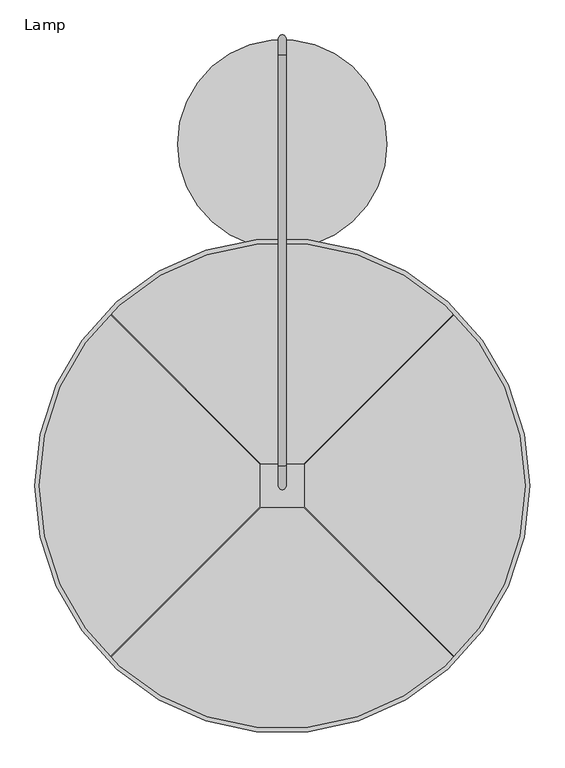
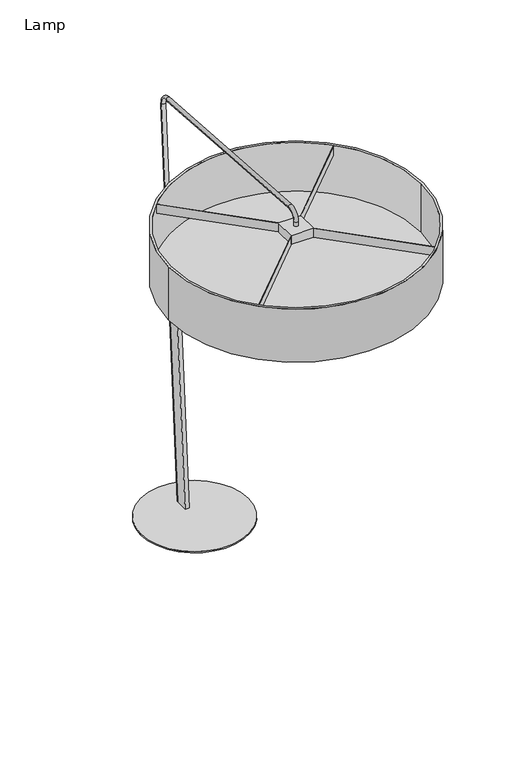
"""IFC4 building model written with IfcOpenShell, lengths in millimetres: furniture geometry, Lamp."""

import ifcopenshell
import ifcopenshell.guid

model = None  # the IFC model being written
_history = None  # IfcOwnerHistory: only IFC2X3 demands one
_inside = {}  # id of a spatial element -> (the spatial element, [elements in it])
_under = {}  # id of a project, library or spatial element -> (it, [spatial elements below it])
_declared = {}  # id of a project -> (the project, [libraries it declares])
_typed = {}  # id of a type object -> (the type object, [elements of that type])
_made_of = {}  # id of a material, layer set ... -> (it, [elements and type objects made of it])


def new_model(schema):
    """Start an empty IFC model of exactly this schema.

    Asked for "IFC4X3", IfcOpenShell would pick the latest addendum, in which some entities
    have other attributes; the version numbers below select the first issue.
    IFC2X3 requires an IfcOwnerHistory on every rooted entity: one is made here for all.
    """
    global model, _history
    if schema == "IFC4X3":
        model = ifcopenshell.file(schema_version=(4, 3, 0, 0))
    else:
        model = ifcopenshell.file(schema=schema)
    _inside.clear()
    _under.clear()
    _declared.clear()
    _typed.clear()
    _made_of.clear()
    _history = None
    if model.schema == "IFC2X3":
        org = make("IfcOrganization", Name="unknown")
        user = make(
            "IfcPersonAndOrganization",
            ThePerson=make("IfcPerson", FamilyName="unknown"),
            TheOrganization=org,
        )
        app = make(
            "IfcApplication",
            ApplicationDeveloper=org,
            Version="unknown",
            ApplicationFullName="unknown",
            ApplicationIdentifier="unknown",
        )
        _history = make(
            "IfcOwnerHistory",
            OwningUser=user,
            OwningApplication=app,
            ChangeAction="ADDED",
            CreationDate=0,
        )
    return model


def make(cls, **values):
    """One entity of the class cls with the attributes given. An attribute that is None is left unset."""
    return model.create_entity(
        cls, **{name: value for name, value in values.items() if value is not None}
    )


def rooted(cls, **values):
    """An entity with a GlobalId (a new one), such as an element, a storey or a relation."""
    return make(cls, GlobalId=ifcopenshell.guid.new(), OwnerHistory=_history, **values)


def si_unit(unit_type, name, prefix=None):
    """IfcSIUnit, for example si_unit("LENGTHUNIT", "METRE", prefix="MILLI")."""
    return make("IfcSIUnit", UnitType=unit_type, Prefix=prefix, Name=name)


def assignment(units):
    """IfcUnitAssignment: the units of a project."""
    return None if units is None else make("IfcUnitAssignment", Units=units)


def point(xyz):
    """IfcCartesianPoint."""
    return None if xyz is None else make("IfcCartesianPoint", Coordinates=xyz)


def direction(xyz):
    """IfcDirection."""
    return None if xyz is None else make("IfcDirection", DirectionRatios=xyz)


def frame(location, z_axis=None, x_axis=None):
    """IfcAxis2Placement3D, a coordinate frame: its origin and axes. An axis left out is left unset."""
    return make(
        "IfcAxis2Placement3D",
        Location=point(location),
        Axis=direction(z_axis),
        RefDirection=direction(x_axis),
    )


def frame_2d(location, x_axis=None):
    """IfcAxis2Placement2D, a coordinate frame in the plane: its origin and x axis."""
    return make(
        "IfcAxis2Placement2D", Location=point(location), RefDirection=direction(x_axis)
    )


def origin():
    """The frame at (0, 0, 0) with its axes left unset."""
    return frame((0.0, 0.0, 0.0))


def origin_with_axes():
    """The frame at (0, 0, 0) with the z axis (0, 0, 1) and the x axis (1, 0, 0) written out."""
    return frame((0.0, 0.0, 0.0), z_axis=(0.0, 0.0, 1.0), x_axis=(1.0, 0.0, 0.0))


def origin_2d():
    """The frame at (0, 0) in the plane with its x axis left unset."""
    return frame_2d((0.0, 0.0))


def place(relative_to, where):
    """IfcLocalPlacement: puts the frame where relative to a parent placement (None: the world)."""
    return make(
        "IfcLocalPlacement", PlacementRelTo=relative_to, RelativePlacement=where
    )


def context(
    kind, dimensions, precision=None, world=None, true_north=None, identifier=None
):
    """IfcGeometricRepresentationContext, for example the 3D "Model" context."""
    return make(
        "IfcGeometricRepresentationContext",
        ContextIdentifier=identifier,
        ContextType=kind,
        CoordinateSpaceDimension=dimensions,
        Precision=precision,
        WorldCoordinateSystem=world,
        TrueNorth=true_north,
    )


def project(units=None, contexts=None):
    """IfcProject with its units and contexts."""
    return rooted(
        "IfcProject",
        Name="project",
        RepresentationContexts=contexts,
        UnitsInContext=assignment(units),
    )


def spatial(cls, under=None, at=None, **own):
    """A site, building, storey or space (cls), placed at a placement, below another one or the project."""
    s = rooted(cls, ObjectPlacement=at, **own)
    if under is not None:
        _under.setdefault(under.id(), (under, []))[1].append(s)
    return s


def polyline(points):
    """IfcPolyline through the points."""
    return make("IfcPolyline", Points=[point(p) for p in points])


def circle_curve(where, radius):
    """IfcCircle in the frame where."""
    return make("IfcCircle", Position=where, Radius=radius)


def ellipse_curve(where, semi_axis1, semi_axis2):
    """IfcEllipse in the frame where."""
    return make(
        "IfcEllipse", Position=where, SemiAxis1=semi_axis1, SemiAxis2=semi_axis2
    )


def trimmed(basis, trim1, trim2, sense, master):
    """IfcTrimmedCurve: the piece of a basis curve between two trims."""
    return make(
        "IfcTrimmedCurve",
        BasisCurve=basis,
        Trim1=trim1,
        Trim2=trim2,
        SenseAgreement=sense,
        MasterRepresentation=master,
    )


def segment(curve, same_sense, transition):
    """IfcCompositeCurveSegment."""
    return make(
        "IfcCompositeCurveSegment",
        Transition=transition,
        SameSense=same_sense,
        ParentCurve=curve,
    )


def composite_curve(segments, self_intersect=None):
    """IfcCompositeCurve: segments joined end to end."""
    return make("IfcCompositeCurve", Segments=segments, SelfIntersect=self_intersect)


def outline(outer, holes=None, kind="AREA"):
    """IfcArbitraryClosedProfileDef: a profile drawn as a closed curve; with holes, ...WithVoids."""
    if holes is None:
        return make("IfcArbitraryClosedProfileDef", ProfileType=kind, OuterCurve=outer)
    return make(
        "IfcArbitraryProfileDefWithVoids",
        ProfileType=kind,
        OuterCurve=outer,
        InnerCurves=holes,
    )


def extrude(swept, where, along, depth):
    """IfcExtrudedAreaSolid: the profile swept, set in the frame where, extruded along a direction by depth."""
    return make(
        "IfcExtrudedAreaSolid",
        SweptArea=swept,
        Position=where,
        ExtrudedDirection=direction(along),
        Depth=depth,
    )


def shape(context_of_items, identifier, shape_type, items):
    """IfcShapeRepresentation: the items that make up one representation, for example the "Body"."""
    return make(
        "IfcShapeRepresentation",
        ContextOfItems=context_of_items,
        RepresentationIdentifier=identifier,
        RepresentationType=shape_type,
        Items=items,
    )


def source(mapping_origin, context_of_items, identifier, shape_type, items):
    """IfcRepresentationMap: a shape defined once, which mapped items show again and again."""
    return make(
        "IfcRepresentationMap",
        MappingOrigin=mapping_origin,
        MappedRepresentation=shape(context_of_items, identifier, shape_type, items),
    )


def transform(
    local_origin,
    x_axis=None,
    y_axis=None,
    z_axis=None,
    scale=None,
    scale2=None,
    scale3=None,
    uniform=True,
):
    """IfcCartesianTransformationOperator3D, or its non-uniform kind. x_axis, y_axis, z_axis: its Axis1, 2, 3."""
    if uniform:
        return make(
            "IfcCartesianTransformationOperator3D",
            Axis1=direction(x_axis),
            Axis2=direction(y_axis),
            LocalOrigin=point(local_origin),
            Scale=scale,
            Axis3=direction(z_axis),
        )
    return make(
        "IfcCartesianTransformationOperator3DnonUniform",
        Axis1=direction(x_axis),
        Axis2=direction(y_axis),
        LocalOrigin=point(local_origin),
        Scale=scale,
        Axis3=direction(z_axis),
        Scale2=scale2,
        Scale3=scale3,
    )


def mapped(mapping_source, mapping_target):
    """IfcMappedItem: shows the shape of a source again, moved by a transform."""
    return make(
        "IfcMappedItem", MappingSource=mapping_source, MappingTarget=mapping_target
    )


def made_of(thing, what):
    """Note that an element or type object is made of a material, layer set ...; save() writes the relation."""
    if what is not None:
        _made_of.setdefault(what.id(), (what, []))[1].append(thing)
    return thing


def element(
    cls,
    number,
    at=None,
    inside=None,
    cuts=None,
    type_object=None,
    material=None,
    context=None,
    identifier="Body",
    shape_type=None,
    held_by="IfcProductDefinitionShape",
    body=None,
    shapes=None,
    **own,
):
    """One element of the class cls, such as IfcWall. Its Tag is "e" and its number.

    at: its placement. inside: the storey or other place that contains it. cuts: it is an
    opening in that element (IfcRelVoidsElement). A single representation is given by context,
    identifier, shape_type and body (its items); several are given by shapes. held_by: the class
    of the entity that holds the representations. save() writes the other relations.
    """
    e = rooted(cls, Tag="e%d" % number, ObjectPlacement=at, **own)
    if body is not None:
        shapes = [shape(context, identifier, shape_type, body)]
    if shapes is not None:
        e.Representation = make(held_by, Representations=shapes)
    if inside is not None:
        _inside.setdefault(inside.id(), (inside, []))[1].append(e)
    if cuts is not None:
        rooted(
            "IfcRelVoidsElement", RelatingBuildingElement=cuts, RelatedOpeningElement=e
        )
    if type_object is not None:
        _typed.setdefault(type_object.id(), (type_object, []))[1].append(e)
    return made_of(e, material)


def aggregate(whole, parts):
    """IfcRelAggregates: a whole, such as a stair, and the parts it consists of."""
    return rooted("IfcRelAggregates", RelatingObject=whole, RelatedObjects=parts)


def save(model, path):
    """Write the relations noted so far, then the file.

    IfcRelAggregates (storeys below a building ...), IfcRelContainedInSpatialStructure (elements
    in a storey), IfcRelDefinesByType, IfcRelAssociatesMaterial and IfcRelDeclares: one each for
    every whole, place, type object, material and project.
    """
    for whole, parts in _under.values():
        aggregate(whole, parts)
    for where, things in _inside.values():
        rooted(
            "IfcRelContainedInSpatialStructure",
            RelatedElements=things,
            RelatingStructure=where,
        )
    for kind, things in _typed.values():
        rooted("IfcRelDefinesByType", RelatedObjects=things, RelatingType=kind)
    for what, things in _made_of.values():
        rooted("IfcRelAssociatesMaterial", RelatedObjects=things, RelatingMaterial=what)
    for by, libraries in _declared.values():
        rooted("IfcRelDeclares", RelatingContext=by, RelatedDefinitions=libraries)
    model.write(path)


def plane_surface(at):
    """IfcPlane: the flat surface through the origin of the frame at, square to its z axis."""
    return make("IfcPlane", Position=at)


def cylinder_surface(at, radius):
    """IfcCylindricalSurface: all points at the distance radius from the z axis of the frame at."""
    return make("IfcCylindricalSurface", Position=at, Radius=radius)


def revolved_surface(curve, axis_point, axis_direction):
    """IfcSurfaceOfRevolution: the curve turned about the line through axis_point along axis_direction."""
    return make(
        "IfcSurfaceOfRevolution",
        SweptCurve=make("IfcArbitraryOpenProfileDef", ProfileType="CURVE", Curve=curve),
        AxisPosition=make("IfcAxis1Placement", Location=point(axis_point), Axis=direction(axis_direction)),
    )


def advanced_brep(points, edges, surfaces, faces):
    """IfcAdvancedBrep: a solid bounded by faces that lie on surfaces and meet in shared edges.

    An edge is (start, end): straight between two places in points (the first is 0);
    or (start, end, curve); or (start, end, curve, False) where it runs against its curve.
    A face is (place in surfaces, loops), or (place, loops, False) where it looks against
    its surface's normal. A loop lists edges by number (the first is 1), with a minus sign
    where the edge is run from its end to its start. The first loop is the outer one.
    """
    corners = [point(p) for p in points]
    vertices = [make("IfcVertexPoint", VertexGeometry=c) for c in corners]
    made = []
    for start, end, *more in edges:
        made.append(
            make(
                "IfcEdgeCurve",
                EdgeStart=vertices[start],
                EdgeEnd=vertices[end],
                EdgeGeometry=more[0] if more else make("IfcPolyline", Points=[corners[start], corners[end]]),
                SameSense=more[1] if len(more) > 1 else True,
            )
        )
    hull = []
    for where, loops, *sense in faces:
        bounds = []
        for j, loop in enumerate(loops):
            ring = [make("IfcOrientedEdge", EdgeElement=made[abs(k) - 1], Orientation=k > 0) for k in loop]
            bounds.append(
                make(
                    "IfcFaceOuterBound" if j == 0 else "IfcFaceBound",
                    Bound=make("IfcEdgeLoop", EdgeList=ring),
                    Orientation=True,
                )
            )
        hull.append(make("IfcAdvancedFace", Bounds=bounds, FaceSurface=surfaces[where], SameSense=sense[0] if sense else True))
    return make("IfcAdvancedBrep", Outer=make("IfcClosedShell", CfsFaces=hull))


def lamp_a7f52948(model_context):
    return source(origin(), model_context, "Body", "SolidModel", [
        extrude(outline(composite_curve([segment(trimmed(circle_curve(frame_2d((0.0, -969.0522334)), 689.0017807), [point((-689.0017807, -969.0522334))], [point((689.0017807, -969.0522334))], False, "CARTESIAN"), True, "CONTINUOUS"), segment(trimmed(circle_curve(frame_2d((0.0, -969.0522334)), 689.0017807), [point((689.0017807, -969.0522334))], [point((-689.0017807, -969.0522334))], False, "CARTESIAN"), True, "CONTINUOUS")], self_intersect=False)), frame((0.0, 0.0, 1982.4954), z_axis=(0.0, 0.0, 1.0), x_axis=(1.0, 0.0, 0.0)), (0.0, 0.0, 1.0), 25.4),
        extrude(outline(composite_curve([segment(trimmed(circle_curve(frame_2d((0.0, -969.0522334)), 701.6979656), [point((-701.6979656, -969.0522334))], [point((701.6979656, -969.0522334))], False, "CARTESIAN"), True, "CONTINUOUS"), segment(trimmed(circle_curve(frame_2d((0.0, -969.0522334)), 701.6979656), [point((701.6979656, -969.0522334))], [point((-701.6979656, -969.0522334))], False, "CARTESIAN"), True, "CONTINUOUS")], self_intersect=False), holes=[composite_curve([segment(trimmed(circle_curve(frame_2d((0.0, -969.0522334)), 689.0017807), [point((-689.0017807, -969.0522334))], [point((689.0017807, -969.0522334))], True, "CARTESIAN"), True, "CONTINUOUS"), segment(trimmed(circle_curve(frame_2d((0.0, -969.0522334)), 689.0017807), [point((689.0017807, -969.0522334))], [point((-689.0017807, -969.0522334))], True, "CARTESIAN"), True, "CONTINUOUS")], self_intersect=False)]), frame((0.0, 0.0, 1982.4954), z_axis=(0.0, 0.0, 1.0), x_axis=(1.0, 0.0, 0.0)), (0.0, 0.0, 1.0), 308.8386),
        extrude(outline(composite_curve([segment(polyline([(62.23, -908.3982512), (62.23, -1029.2661488), (488.0760925, -1455.1122413)]), True, "CONTINUOUS"), segment(trimmed(circle_curve(frame_2d((0.0, -968.8322)), 688.975), [point((488.0760925, -1455.1122413))], [point((487.1788946, -1456.0110946))], False, "CARTESIAN"), True, "CONTINUOUS"), segment(polyline([(487.1788946, -1456.0110946), (60.96, -1029.7922), (-60.96, -1029.7922), (-487.1788946, -1456.0110946)]), True, "CONTINUOUS"), segment(trimmed(circle_curve(frame_2d((0.0, -968.8322)), 688.975), [point((-487.1788946, -1456.0110946))], [point((-488.0760925, -1455.1122413))], False, "CARTESIAN"), True, "CONTINUOUS"), segment(polyline([(-488.0760925, -1455.1122413), (-62.23, -1029.2661488), (-62.23, -908.3982512), (-488.0760925, -482.5521587)]), True, "CONTINUOUS"), segment(trimmed(circle_curve(frame_2d((0.0, -968.8322)), 688.975), [point((-488.0760925, -482.5521587))], [point((-487.1788946, -481.6533054))], False, "CARTESIAN"), True, "CONTINUOUS"), segment(polyline([(-487.1788946, -481.6533054), (-60.96, -907.8722), (60.96, -907.8722), (487.1788946, -481.6533054)]), True, "CONTINUOUS"), segment(trimmed(circle_curve(frame_2d((0.0, -968.8322)), 688.975), [point((487.1788946, -481.6533054))], [point((488.0760925, -482.5521587))], False, "CARTESIAN"), True, "CONTINUOUS"), segment(polyline([(488.0760925, -482.5521587), (62.23, -908.3982512)]), True, "CONTINUOUS")], self_intersect=False)), frame((0.0, 0.0, 2236.4954), z_axis=(0.0, 0.0, 1.0), x_axis=(1.0, 0.0, 0.0)), (0.0, 0.0, 1.0), 50.8),
        extrude(outline(polyline([(142.4697293, 4.7382297), (70.8578165, 4.7382297), (182.8305869, 1606.0234489), (254.0940386, 1601.040223), (142.4697293, 4.7382297)])), frame((-11.1125, 0.0, 0.0), z_axis=(1.0, 0.0, 0.0), x_axis=(0.0, 1.0, 0.0)), (0.0, 0.0, 1.0), 22.225),
        advanced_brep(
        [(-11.1858321, 142.5992095, 6.3488269), (11.1858321, 142.5992095, 6.3488269), (-11.1858321, 298.3232406, 2233.3066697), (11.1858321, 298.3232406, 2233.3066697), (11.1858321, 252.5464975, 2285.9667872), (-11.1858321, 252.5464975, 2285.9667872), (-11.1858321, -913.6328783, 2367.5139768), (11.1858321, -913.6328783, 2367.5139768), (11.1858321, -969.0522334, 2315.8345914), (-11.1858321, -969.0522334, 2315.8345914), (-11.1858321, -969.0522334, 2291.334), (11.1858321, -969.0522334, 2291.334)],
        [
            (0, 1, circle_curve(frame((0.0, 142.5992095, 6.3488269), z_axis=(0.0, -0.0697564598324163, -0.9975640512326257), x_axis=(1.0, 0.0, 0.0)), 11.1858321)),
            (1, 0, circle_curve(frame((0.0, 142.5992095, 6.3488269), z_axis=(0.0, -0.0697564598324163, -0.9975640512326257), x_axis=(1.0, 0.0, 0.0)), 11.1858321)),
            (0, 2),
            (2, 3, circle_curve(frame((0.0, 298.3232406, 2233.3066697), z_axis=(0.0, -0.0697564598324163, -0.9975640512326257), x_axis=(1.0, 0.0, 0.0)), 11.1858321)),
            (3, 1),
            (3, 2, circle_curve(frame((0.0, 298.3232406, 2233.3066697), z_axis=(0.0, -0.0697564598324163, -0.9975640512326257), x_axis=(1.0, 0.0, 0.0)), 11.1858321)),
            (4, 3, circle_curve(frame((11.1858321, 249.1048103, 2236.7483569), z_axis=(-1.0, 0.0, 0.0), x_axis=(0.0, 0.9975640512326264, -0.0697564598324048)), 49.3386166)),
            (2, 5, circle_curve(frame((-11.1858321, 249.1048103, 2236.7483569), z_axis=(1.0, 0.0, 0.0), x_axis=(0.0, 0.9975640512326264, -0.0697564598324048)), 49.3386166)),
            (5, 4, circle_curve(frame((0.0, 252.5464975, 2285.9667872), z_axis=(0.0, 0.9975640512326247, -0.06975645983242884), x_axis=(1.0, 0.0, 0.0)), 11.1858321)),
            (4, 5, circle_curve(frame((0.0, 252.5464975, 2285.9667872), z_axis=(0.0, 0.9975640512326247, -0.06975645983242884), x_axis=(1.0, 0.0, 0.0)), 11.1858321)),
            (5, 6),
            (6, 7, circle_curve(frame((0.0, -913.6328783, 2367.5139768), z_axis=(0.0, 0.9975640512326254, -0.06975645983242129), x_axis=(1.0, 0.0, 0.0)), 11.1858321)),
            (7, 4),
            (7, 6, circle_curve(frame((0.0, -913.6328783, 2367.5139768), z_axis=(0.0, 0.9975640512326254, -0.06975645983242129), x_axis=(1.0, 0.0, 0.0)), 11.1858321)),
            (8, 7, circle_curve(frame((11.1858321, -917.2466523, 2315.8345914), z_axis=(-1.0, 0.0, 0.0), x_axis=(0.0, 0.0697564598324279, 0.9975640512326248)), 51.8055812)),
            (6, 9, circle_curve(frame((-11.1858321, -917.2466523, 2315.8345914), z_axis=(1.0, 0.0, 0.0), x_axis=(0.0, 0.0697564598324279, 0.9975640512326248)), 51.8055812)),
            (9, 8, circle_curve(frame((0.0, -969.0522334, 2315.8345914), z_axis=(0.0, 0.0, 1.0), x_axis=(1.0, 0.0, 0.0)), 11.1858321)),
            (8, 9, circle_curve(frame((0.0, -969.0522334, 2315.8345914), z_axis=(0.0, 0.0, 1.0), x_axis=(1.0, 0.0, 0.0)), 11.1858321)),
            (10, 11, circle_curve(frame((0.0, -969.0522334, 2291.334), z_axis=(0.0, 0.0, -1.0), x_axis=(1.0, 0.0, 0.0)), 11.1858321)),
            (11, 10, circle_curve(frame((0.0, -969.0522334, 2291.334), z_axis=(0.0, 0.0, -1.0), x_axis=(1.0, 0.0, 0.0)), 11.1858321)),
            (9, 10),
            (11, 8),
        ],
        [
            plane_surface(frame((0.0, 131.3879696, 7.132793), z_axis=(0.0, -0.0697564598324163, -0.9975640512326257), x_axis=(1.0, 0.0, 0.0))),
            cylinder_surface(frame((0.0, 142.5992095, 6.3488269), z_axis=(0.0, -0.0697564598324163, -0.9975640512326257), x_axis=(1.0, 0.0, 0.0)), 11.1858321),
            revolved_surface(trimmed(ellipse_curve(frame((0.0, 298.3232406, 2233.3066697), z_axis=(0.0, -0.06975645983240486, -0.9975640512326264), x_axis=(1.0, 0.0, 0.0)), 11.1858321, 11.1858321), [point((-11.1858321, 298.3232406, 2233.3066697))], [point((11.1858321, 298.3232406, 2233.3066697))], True, "CARTESIAN"), (0.0, 249.1048103, 2236.7483569), (1.0, 0.0, 0.0)),
            revolved_surface(trimmed(ellipse_curve(frame((0.0, 298.3232406, 2233.3066697), z_axis=(0.0, -0.06975645983240486, -0.9975640512326264), x_axis=(1.0, 0.0, 0.0)), 11.1858321, 11.1858321), [point((11.1858321, 298.3232406, 2233.3066697))], [point((-11.1858321, 298.3232406, 2233.3066697))], True, "CARTESIAN"), (0.0, 249.1048103, 2236.7483569), (1.0, 0.0, 0.0)),
            cylinder_surface(frame((0.0, 252.5464975, 2285.9667872), z_axis=(0.0, 0.9975640512326254, -0.06975645983242129), x_axis=(1.0, 0.0, 0.0)), 11.1858321),
            revolved_surface(trimmed(ellipse_curve(frame((0.0, -913.6328783, 2367.5139768), z_axis=(0.0, 0.9975640512326248, -0.06975645983242795), x_axis=(1.0, 0.0, 0.0)), 11.1858321, 11.1858321), [point((-11.1858321, -913.6328783, 2367.5139768))], [point((11.1858321, -913.6328783, 2367.5139768))], True, "CARTESIAN"), (0.0, -917.2466523, 2315.8345914), (1.0, 0.0, 0.0)),
            revolved_surface(trimmed(ellipse_curve(frame((0.0, -913.6328783, 2367.5139768), z_axis=(0.0, 0.9975640512326248, -0.06975645983242795), x_axis=(1.0, 0.0, 0.0)), 11.1858321, 11.1858321), [point((11.1858321, -913.6328783, 2367.5139768))], [point((-11.1858321, -913.6328783, 2367.5139768))], True, "CARTESIAN"), (0.0, -917.2466523, 2315.8345914), (1.0, 0.0, 0.0)),
            plane_surface(frame((0.0, -957.8136168, 2291.334), z_axis=(0.0, 0.0, -1.0), x_axis=(1.0, 0.0, 0.0))),
            cylinder_surface(frame((0.0, -969.0522334, 2315.8345914), z_axis=(0.0, 0.0, 1.0), x_axis=(1.0, 0.0, 0.0)), 11.1858321),
        ],
        [
            (0, [[1, 2]]),
            (1, [[-1, 3, 4, 5]]),
            (1, [[-2, -5, 6, -3]]),
            (2, [[7, -4, 8, 9]]),
            (3, [[-8, -6, -7, 10]]),
            (4, [[-9, 11, 12, 13]]),
            (4, [[-10, -13, 14, -11]]),
            (5, [[15, -12, 16, 17]]),
            (6, [[-16, -14, -15, 18]]),
            (7, [[19, 20]]),
            (8, [[-17, 21, -20, 22]]),
            (8, [[-18, -22, -19, -21]]),
        ],
    ),
        extrude(outline(composite_curve([segment(trimmed(circle_curve(origin_2d(), 296.8674621), [point((-296.8674621, 0.0))], [point((296.8674621, 0.0))], False, "CARTESIAN"), True, "CONTINUOUS"), segment(trimmed(circle_curve(origin_2d(), 296.8674621), [point((296.8674621, 0.0))], [point((-296.8674621, 0.0))], False, "CARTESIAN"), True, "CONTINUOUS")], self_intersect=False)), origin_with_axes(), (0.0, 0.0, 1.0), 6.35),
    ])


if __name__ == "__main__":
    model = new_model("IFC4")
    model_context = context("Model", 3, world=origin())
    ifc_project = project(units=[si_unit("LENGTHUNIT", "METRE", prefix="MILLI")], contexts=[model_context])
    site = spatial("IfcSite", under=ifc_project)
    building = spatial("IfcBuilding", under=site)
    placement = place(None, origin())
    lamp_shape = lamp_a7f52948(model_context)
    element("IfcFurniture", 1, ObjectType="Lamp", at=placement, inside=building, context=model_context, shape_type="MappedRepresentation", body=[
        mapped(lamp_shape, transform((0.0, 0.0, 0.0), x_axis=(1.0, 0.0, 0.0), y_axis=(0.0, 1.0, 0.0), z_axis=(0.0, 0.0, 1.0))),
    ])
    save(model, "model.ifc")
